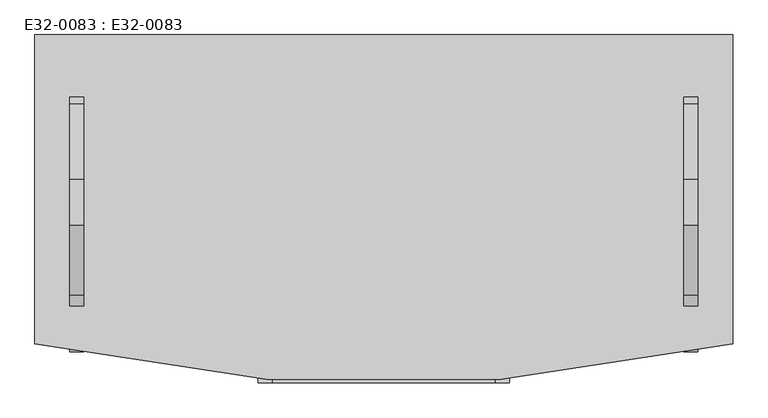
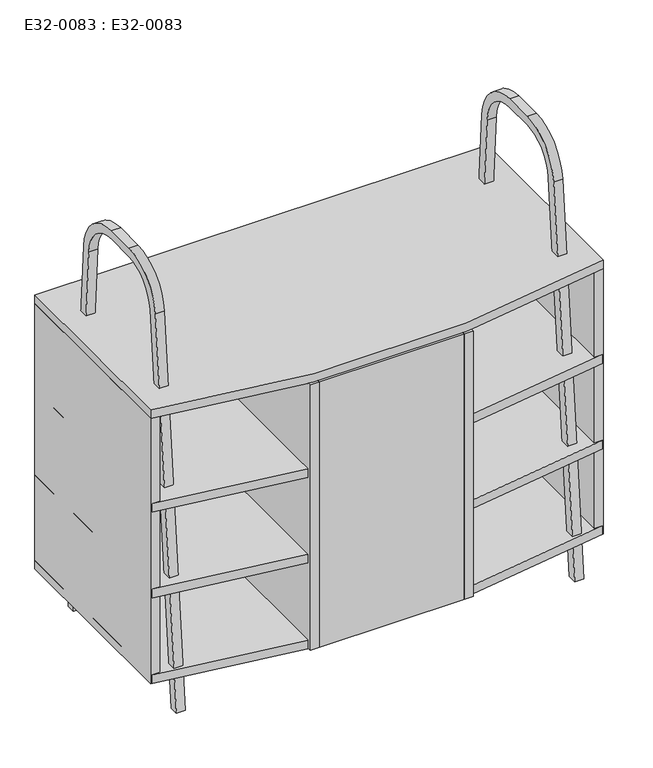
"""IFC4 building model written with IfcOpenShell, lengths in millimetres: furniture geometry, E32-0083 : E32-0083."""

from ifc_helpers import new_model, si_unit, point, frame, frame_2d, origin, place, context, project, spatial, polyline, circle_curve, trimmed, segment, composite_curve, outline, extrude, source, transform, mapped, element, save


def e32_0083_e32_0083_d9c52c5e(model_context):
    return source(origin(), model_context, "Body", "SweptSolid", [
        extrude(outline(polyline([(-500.0, -442.7577339), (-500.0, 0.0), (-480.0, 0.0), (-480.0, -442.7577339), (-500.0, -442.7577339)])), frame((0.0, 0.0, 80.0), z_axis=(0.0, 0.0, 1.0), x_axis=(1.0, 0.0, 0.0)), (0.0, 0.0, 1.0), 620.0),
        extrude(outline(polyline([(-160.0, 0.0), (-160.0, -499.2066389), (-180.0, -499.2066389), (-180.0, 0.0), (-160.0, 0.0)])), frame((0.0, 0.0, 80.0), z_axis=(0.0, 0.0, 1.0), x_axis=(1.0, 0.0, 0.0)), (0.0, 0.0, 1.0), 620.0),
        extrude(outline(polyline([(160.0, -499.2066389), (160.0, 0.0), (180.0, 0.0), (180.0, -499.2066389), (160.0, -499.2066389)])), frame((0.0, 0.0, 80.0), z_axis=(0.0, 0.0, 1.0), x_axis=(1.0, 0.0, 0.0)), (0.0, 0.0, 1.0), 620.0),
        extrude(outline(polyline([(500.0, 0.0), (500.0, -442.7577339), (480.0, -442.7577339), (480.0, 0.0), (500.0, 0.0)])), frame((0.0, 0.0, 80.0), z_axis=(0.0, 0.0, 1.0), x_axis=(1.0, 0.0, 0.0)), (0.0, 0.0, 1.0), 620.0),
        extrude(outline(composite_curve([segment(polyline([(-434.2465904, 0.0), (-454.3294336, 0.0), (-373.72706, 884.6473099)]), True, "CONTINUOUS"), segment(trimmed(circle_curve(frame_2d((-272.294699, 876.0822743)), 101.7933382), [point((-373.72706, 884.6473099))], [point((-272.294699, 977.8756125))], False, "CARTESIAN"), True, "CONTINUOUS"), segment(polyline([(-272.294699, 977.8756125), (-206.3970838, 977.8756125)]), True, "CONTINUOUS"), segment(trimmed(circle_curve(frame_2d((-207.2150347, 869.9224198)), 107.9562915), [point((-206.3970838, 977.8756125))], [point((-99.4994831, 877.1280301))], False, "CARTESIAN"), True, "CONTINUOUS"), segment(polyline([(-99.4994831, 877.1280301), (-40.8241789, 0.0), (-60.8688781, 0.0), (-119.4548836, 875.7931175)]), True, "CONTINUOUS"), segment(trimmed(circle_curve(frame_2d((-207.2150347, 869.9224198)), 87.9562915), [point((-119.4548836, 875.7931175))], [point((-206.4767294, 957.8756125))], True, "CARTESIAN"), True, "CONTINUOUS"), segment(polyline([(-206.4767294, 957.8756125), (-272.294699, 957.8756125)]), True, "CONTINUOUS"), segment(trimmed(circle_curve(frame_2d((-272.294699, 876.0822743)), 81.7933382), [point((-272.294699, 957.8756125))], [point((-353.803226, 882.9021128))], True, "CARTESIAN"), True, "CONTINUOUS"), segment(polyline([(-353.803226, 882.9021128), (-434.2465904, 0.0)]), True, "CONTINUOUS")], self_intersect=False)), frame((-450.0, 0.0, 0.0), z_axis=(1.0, 0.0, 0.0), x_axis=(0.0, 1.0, 0.0)), (0.0, 0.0, 1.0), 20.0),
        extrude(outline(composite_curve([segment(polyline([(-434.2465904, 0.0), (-454.3294336, 0.0), (-373.72706, 884.6473099)]), True, "CONTINUOUS"), segment(trimmed(circle_curve(frame_2d((-272.294699, 876.0822743)), 101.7933382), [point((-373.72706, 884.6473099))], [point((-272.294699, 977.8756125))], False, "CARTESIAN"), True, "CONTINUOUS"), segment(polyline([(-272.294699, 977.8756125), (-206.3970838, 977.8756125)]), True, "CONTINUOUS"), segment(trimmed(circle_curve(frame_2d((-207.2150347, 869.9224198)), 107.9562915), [point((-206.3970838, 977.8756125))], [point((-99.4994831, 877.1280301))], False, "CARTESIAN"), True, "CONTINUOUS"), segment(polyline([(-99.4994831, 877.1280301), (-40.8241789, 0.0), (-60.8688781, 0.0), (-119.4548836, 875.7931175)]), True, "CONTINUOUS"), segment(trimmed(circle_curve(frame_2d((-207.2150347, 869.9224198)), 87.9562915), [point((-119.4548836, 875.7931175))], [point((-206.4767294, 957.8756125))], True, "CARTESIAN"), True, "CONTINUOUS"), segment(polyline([(-206.4767294, 957.8756125), (-272.294699, 957.8756125)]), True, "CONTINUOUS"), segment(trimmed(circle_curve(frame_2d((-272.294699, 876.0822743)), 81.7933382), [point((-272.294699, 957.8756125))], [point((-353.803226, 882.9021128))], True, "CARTESIAN"), True, "CONTINUOUS"), segment(polyline([(-353.803226, 882.9021128), (-434.2465904, 0.0)]), True, "CONTINUOUS")], self_intersect=False)), frame((430.0, 0.0, 0.0), z_axis=(1.0, 0.0, 0.0), x_axis=(0.0, 1.0, 0.0)), (0.0, 0.0, 1.0), 20.0),
        extrude(outline(composite_curve([segment(polyline([(-160.0, -499.2066389), (-160.0, -479.1536469)]), True, "CONTINUOUS"), segment(trimmed(circle_curve(frame_2d((0.0, 1707.3222434)), 2192.3222434), [point((-160.0, -479.1536469))], [point((160.0, -479.1536469))], True, "CARTESIAN"), True, "CONTINUOUS"), segment(polyline([(160.0, -479.1536469), (160.0, -499.2066389)]), True, "CONTINUOUS"), segment(trimmed(circle_curve(frame_2d((0.0, 1707.3222434)), 2212.3222434), [point((160.0, -499.2066389))], [point((-160.0, -499.2066389))], False, "CARTESIAN"), True, "CONTINUOUS")], self_intersect=False)), frame((0.0, 0.0, 80.0), z_axis=(0.0, 0.0, 1.0), x_axis=(1.0, 0.0, 0.0)), (0.0, 0.0, 1.0), 620.0),
        extrude(outline(composite_curve([segment(trimmed(circle_curve(frame_2d((0.0, 1712.3222434)), 2212.3222434), [point((500.0, -442.7577339))], [point((-500.0, -442.7577339))], False, "CARTESIAN"), True, "CONTINUOUS"), segment(polyline([(-500.0, -442.7577339), (-500.0, 0.0), (500.0, 0.0), (500.0, -442.7577339)]), True, "CONTINUOUS")], self_intersect=False)), frame((0.0, 0.0, 480.0), z_axis=(0.0, 0.0, 1.0), x_axis=(1.0, 0.0, 0.0)), (0.0, 0.0, 1.0), 20.0),
        extrude(outline(composite_curve([segment(trimmed(circle_curve(frame_2d((0.0, 1712.3222434)), 2212.3222434), [point((500.0, -442.7577339))], [point((-500.0, -442.7577339))], False, "CARTESIAN"), True, "CONTINUOUS"), segment(polyline([(-500.0, -442.7577339), (-500.0, 0.0), (500.0, 0.0), (500.0, -442.7577339)]), True, "CONTINUOUS")], self_intersect=False)), frame((0.0, 0.0, 280.0), z_axis=(0.0, 0.0, 1.0), x_axis=(1.0, 0.0, 0.0)), (0.0, 0.0, 1.0), 20.0),
        extrude(outline(composite_curve([segment(trimmed(circle_curve(frame_2d((0.0, 1712.3222434)), 2212.3222434), [point((500.0, -442.7577339))], [point((-500.0, -442.7577339))], False, "CARTESIAN"), True, "CONTINUOUS"), segment(polyline([(-500.0, -442.7577339), (-500.0, 0.0), (500.0, 0.0), (500.0, -442.7577339)]), True, "CONTINUOUS")], self_intersect=False)), frame((0.0, 0.0, 700.0), z_axis=(0.0, 0.0, 1.0), x_axis=(1.0, 0.0, 0.0)), (0.0, 0.0, 1.0), 20.0),
        extrude(outline(composite_curve([segment(trimmed(circle_curve(frame_2d((0.0, 1712.3222434)), 2212.3222434), [point((500.0, -442.7577339))], [point((-500.0, -442.7577339))], False, "CARTESIAN"), True, "CONTINUOUS"), segment(polyline([(-500.0, -442.7577339), (-500.0, 0.0), (500.0, 0.0), (500.0, -442.7577339)]), True, "CONTINUOUS")], self_intersect=False)), frame((0.0, 0.0, 80.0), z_axis=(0.0, 0.0, 1.0), x_axis=(1.0, 0.0, 0.0)), (0.0, 0.0, 1.0), 20.0),
    ])


if __name__ == "__main__":
    model = new_model("IFC4")
    model_context = context("Model", 3, world=origin())
    ifc_project = project(units=[si_unit("LENGTHUNIT", "METRE", prefix="MILLI")], contexts=[model_context])
    site = spatial("IfcSite", under=ifc_project)
    building = spatial("IfcBuilding", under=site)
    placement = place(None, origin())
    e32_0083_e32_0083_shape = e32_0083_e32_0083_d9c52c5e(model_context)
    element("IfcFurniture", 1, ObjectType="E32-0083 : E32-0083", at=placement, inside=building, context=model_context, shape_type="MappedRepresentation", body=[
        mapped(e32_0083_e32_0083_shape, transform((0.0, 0.0, 0.0), x_axis=(1.0, 0.0, 0.0), y_axis=(0.0, 1.0, 0.0), z_axis=(0.0, 0.0, 1.0))),
    ])
    save(model, "model.ifc")
